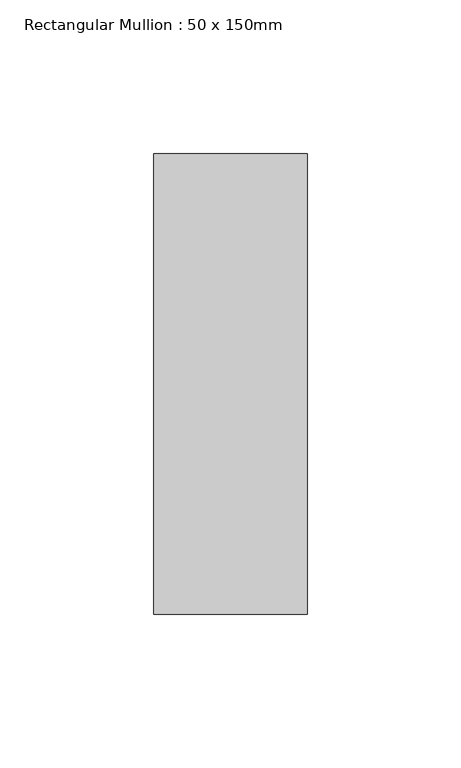
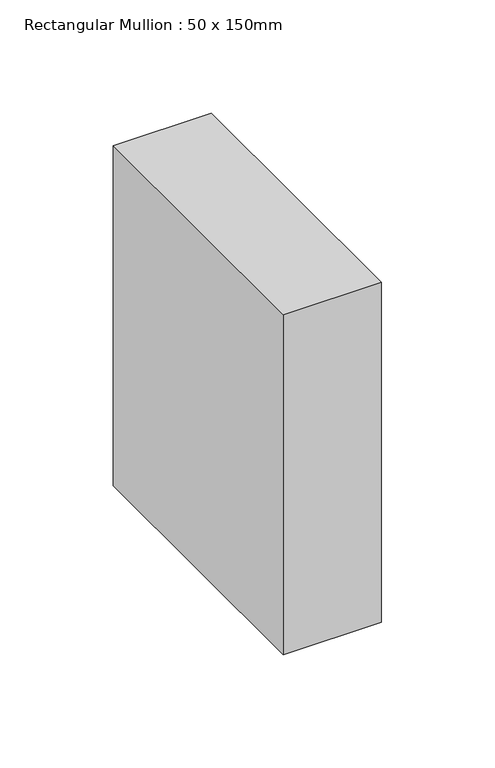
"""IFC4 building model written with IfcOpenShell, lengths in millimetres: member geometry, Rectangular Mullion : 50 x 150mm."""

from ifc_helpers import new_model, si_unit, frame, origin, place, context, project, spatial, polyline, outline, extrude, source, transform, mapped, element, save


def rectangular_mullion_50_x_150mm_edb6e790(model_context):
    return source(origin(), model_context, "Body", "SweptSolid", [
        extrude(outline(polyline([(25.0, 75.0), (25.0, -75.0), (-25.0, -75.0), (-25.0, 75.0), (25.0, 75.0)])), frame((0.0, 0.0, -183.1034012), z_axis=(0.0, 0.0, 1.0), x_axis=(1.0, 0.0, 0.0)), (0.0, 0.0, 1.0), 183.1034012),
    ])


if __name__ == "__main__":
    model = new_model("IFC4")
    model_context = context("Model", 3, world=origin())
    ifc_project = project(units=[si_unit("LENGTHUNIT", "METRE", prefix="MILLI")], contexts=[model_context])
    site = spatial("IfcSite", under=ifc_project)
    building = spatial("IfcBuilding", under=site)
    placement = place(None, origin())
    rectangular_mullion_50_x_150mm_shape = rectangular_mullion_50_x_150mm_edb6e790(model_context)
    element("IfcMember", 1, ObjectType="Rectangular Mullion : 50 x 150mm", at=placement, inside=building, context=model_context, shape_type="MappedRepresentation", body=[
        mapped(rectangular_mullion_50_x_150mm_shape, transform((0.0, 0.0, 0.0), x_axis=(1.0, 0.0, 0.0), y_axis=(0.0, 1.0, 0.0), z_axis=(0.0, 0.0, 1.0))),
    ])
    save(model, "model.ifc")
